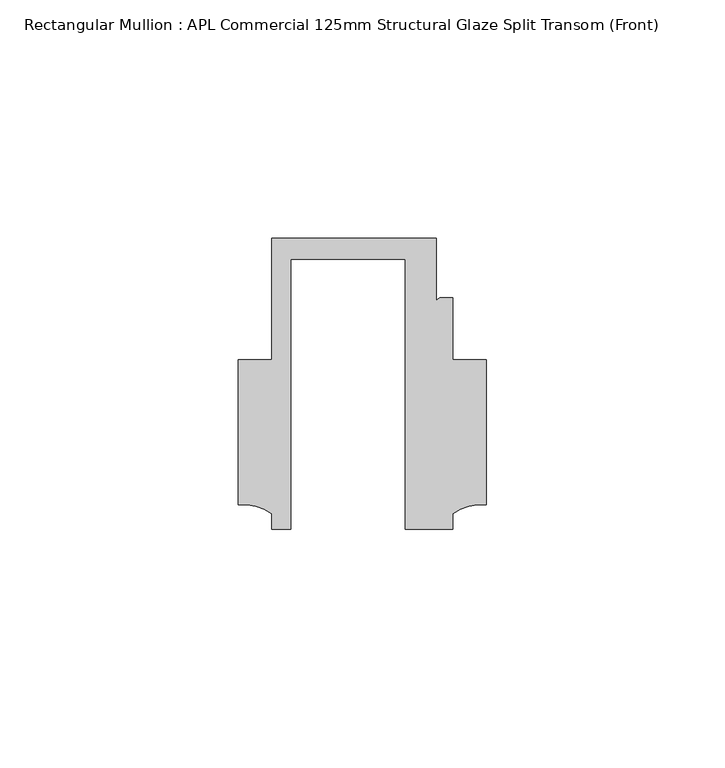
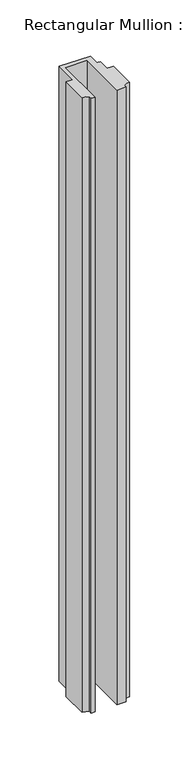
"""IFC4 building model written with IfcOpenShell, lengths in millimetres: member geometry, Rectangular Mullion : APL Commercial 125mm Structural Glaze Split Transom (Front)."""

from ifc_helpers import new_model, si_unit, point, frame, frame_2d, origin, place, context, project, spatial, polyline, circle_curve, trimmed, segment, composite_curve, outline, extrude, source, transform, mapped, element, save


def rectangular_mullion_apl_commercial_125mm_structural_glaze_29798e19(model_context):
    return source(origin(), model_context, "Body", "SweptSolid", [
        extrude(outline(composite_curve([segment(polyline([(-24.0309529, -20.5), (-28.0000482, -20.5), (-28.0000482, -17.3123419)]), True, "CONTINUOUS"), segment(trimmed(circle_curve(frame_2d((-34.10985, -25.7980019)), 10.4563907), [point((-28.0000482, -17.3123419))], [point((-34.9999873, -15.3795682))], True, "CARTESIAN"), True, "CONTINUOUS"), segment(polyline([(-34.9999873, -15.3795682), (-34.9999873, 15.001276), (-28.0000482, 15.001276), (-28.0000482, 40.499932), (6.5000029, 40.499932), (6.5000029, 27.0002131)]), True, "CONTINUOUS"), segment(trimmed(circle_curve(frame_2d((7.5000029, 27.0002131)), 1.0), [point((6.5000029, 27.0002131))], [point((7.5000029, 28.0002131))], False, "CARTESIAN"), True, "CONTINUOUS"), segment(polyline([(7.5000029, 28.0002131), (10.0000029, 28.0002131), (10.0000029, 15.0004617), (16.999942, 15.0004617), (16.999942, -15.3793686)]), True, "CONTINUOUS"), segment(trimmed(circle_curve(frame_2d((16.1098048, -25.7978024)), 10.4563907), [point((16.999942, -15.3793686))], [point((10.0000029, -17.3121423))], True, "CARTESIAN"), True, "CONTINUOUS"), segment(polyline([(10.0000029, -17.3121423), (10.0000029, -20.5), (0.0, -20.5), (0.0, 36.1008577), (-24.0309529, 36.1008577), (-24.0309529, -20.5)]), True, "CONTINUOUS")], self_intersect=False)), frame((0.0, 0.0, -710.0244478), z_axis=(0.0, 0.0, 1.0), x_axis=(1.0, 0.0, 0.0)), (0.0, 0.0, 1.0), 710.0244478),
    ])


if __name__ == "__main__":
    model = new_model("IFC4")
    model_context = context("Model", 3, world=origin())
    ifc_project = project(units=[si_unit("LENGTHUNIT", "METRE", prefix="MILLI")], contexts=[model_context])
    site = spatial("IfcSite", under=ifc_project)
    building = spatial("IfcBuilding", under=site)
    placement = place(None, origin())
    rectangular_mullion_apl_commercial_125mm_structural_glaze_shape = rectangular_mullion_apl_commercial_125mm_structural_glaze_29798e19(model_context)
    element("IfcMember", 1, ObjectType="Rectangular Mullion : APL Commercial 125mm Structural Glaze Split Transom (Front)", at=placement, inside=building, context=model_context, shape_type="MappedRepresentation", body=[
        mapped(rectangular_mullion_apl_commercial_125mm_structural_glaze_shape, transform((0.0, 0.0, 0.0), x_axis=(1.0, 0.0, 0.0), y_axis=(0.0, 1.0, 0.0), z_axis=(0.0, 0.0, 1.0))),
    ])
    save(model, "model.ifc")
